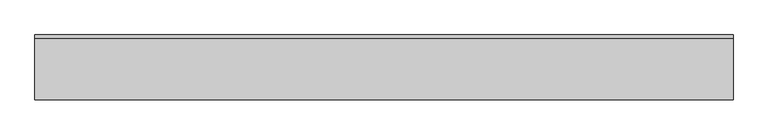
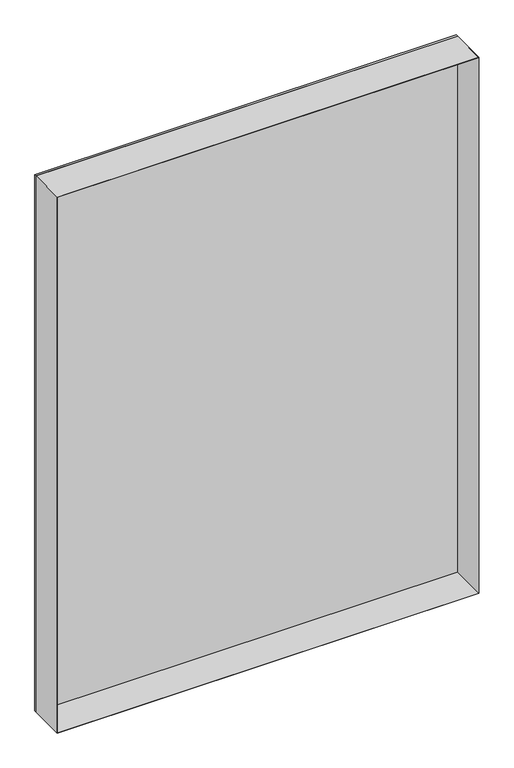
"""IFC4 building model written with IfcOpenShell, lengths in millimetres: plate geometry."""

from ifc_helpers import new_model, si_unit, frame, origin, origin_with_axes, place, context, project, spatial, polyline, outline, extrude, source, transform, mapped, element, save


def plate_4622fb69(model_context):
    return source(origin(), model_context, "Body", "SweptSolid", [
        extrude(outline(polyline([(1450.25, -539.9375001), (0.0, -539.9375001), (0.0, 539.9375001), (1450.25, 539.9375001), (1450.25, -539.9375001)]), holes=[polyline([(1449.25, -538.9375001), (1449.25, 538.9375001), (1.0, 538.9375001), (1.0, -538.9375001), (1449.25, -538.9375001)])]), frame((0.0, -50.0, 0.0), z_axis=(0.0, 1.0, 0.0), x_axis=(0.0, 0.0, 1.0)), (0.0, 0.0, 1.0), 94.0),
        extrude(outline(polyline([(539.9375001, 44.0), (-539.9375001, 44.0), (-539.9375001, 50.0), (539.9375001, 50.0), (539.9375001, 44.0)])), origin_with_axes(), (0.0, 0.0, 1.0), 1450.25),
    ])


if __name__ == "__main__":
    model = new_model("IFC4")
    model_context = context("Model", 3, world=origin())
    ifc_project = project(units=[si_unit("LENGTHUNIT", "METRE", prefix="MILLI")], contexts=[model_context])
    site = spatial("IfcSite", under=ifc_project)
    building = spatial("IfcBuilding", under=site)
    placement = place(None, origin())
    plate_shape = plate_4622fb69(model_context)
    element("IfcPlate", 1, at=placement, inside=building, context=model_context, shape_type="MappedRepresentation", body=[
        mapped(plate_shape, transform((0.0, 0.0, 0.0), x_axis=(1.0, 0.0, 0.0), y_axis=(0.0, 1.0, 0.0), z_axis=(0.0, 0.0, 1.0))),
    ])
    save(model, "model.ifc")
